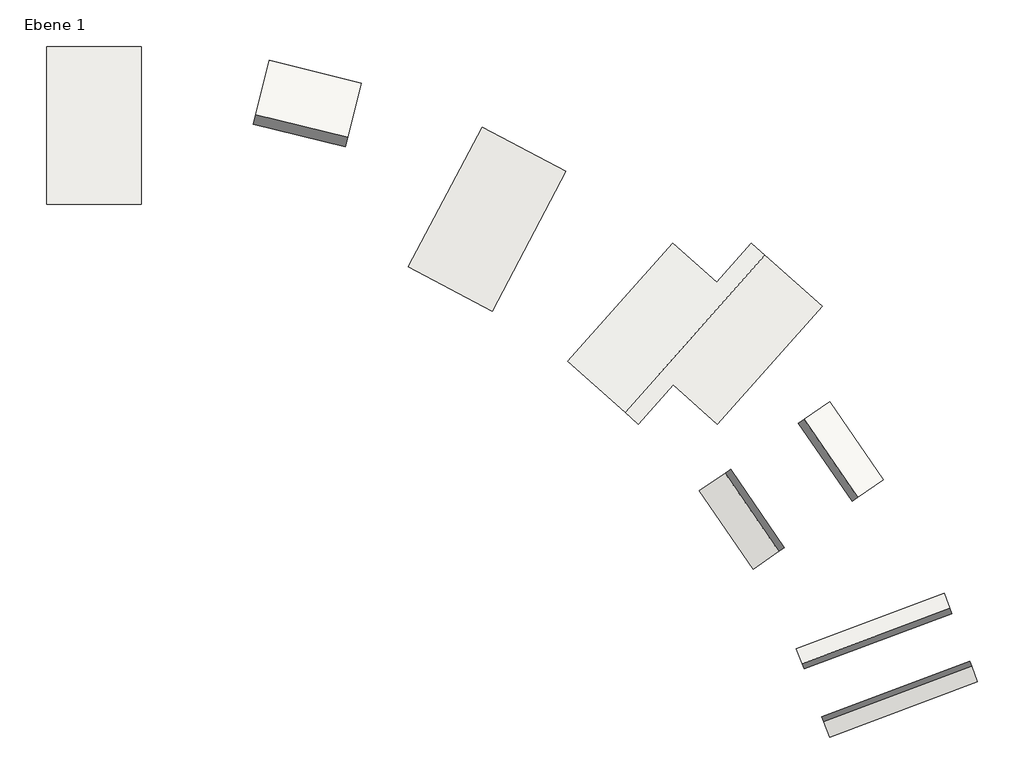
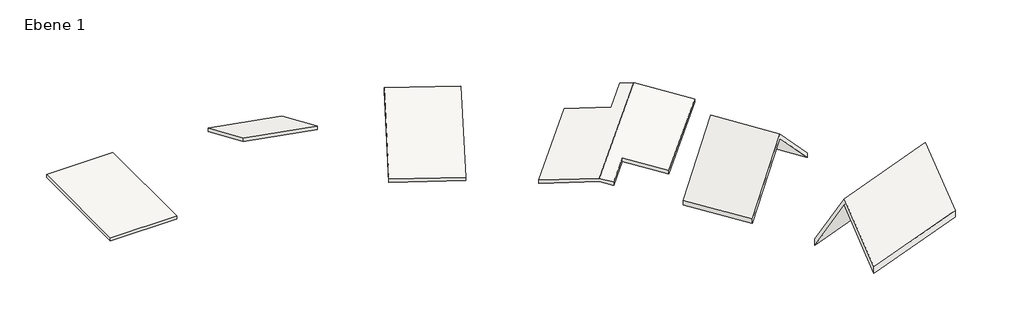
# One storey: 6 roofs.
"""IFC4 building model written with IfcOpenShell, lengths in millimetres."""

import ifcopenshell
import ifcopenshell.guid

model = None  # the IFC model being written
_history = None  # IfcOwnerHistory: only IFC2X3 demands one
_inside = {}  # id of a spatial element -> (the spatial element, [elements in it])
_under = {}  # id of a project, library or spatial element -> (it, [spatial elements below it])
_declared = {}  # id of a project -> (the project, [libraries it declares])
_typed = {}  # id of a type object -> (the type object, [elements of that type])
_made_of = {}  # id of a material, layer set ... -> (it, [elements and type objects made of it])


def new_model(schema):
    """Start an empty IFC model of exactly this schema.

    Asked for "IFC4X3", IfcOpenShell would pick the latest addendum, in which some entities
    have other attributes; the version numbers below select the first issue.
    IFC2X3 requires an IfcOwnerHistory on every rooted entity: one is made here for all.
    """
    global model, _history
    if schema == "IFC4X3":
        model = ifcopenshell.file(schema_version=(4, 3, 0, 0))
    else:
        model = ifcopenshell.file(schema=schema)
    _inside.clear()
    _under.clear()
    _declared.clear()
    _typed.clear()
    _made_of.clear()
    _history = None
    if model.schema == "IFC2X3":
        org = make("IfcOrganization", Name="unknown")
        user = make(
            "IfcPersonAndOrganization",
            ThePerson=make("IfcPerson", FamilyName="unknown"),
            TheOrganization=org,
        )
        app = make(
            "IfcApplication",
            ApplicationDeveloper=org,
            Version="unknown",
            ApplicationFullName="unknown",
            ApplicationIdentifier="unknown",
        )
        _history = make(
            "IfcOwnerHistory",
            OwningUser=user,
            OwningApplication=app,
            ChangeAction="ADDED",
            CreationDate=0,
        )
    return model


def make(cls, **values):
    """One entity of the class cls with the attributes given. An attribute that is None is left unset."""
    return model.create_entity(
        cls, **{name: value for name, value in values.items() if value is not None}
    )


def rooted(cls, **values):
    """An entity with a GlobalId (a new one), such as an element, a storey or a relation."""
    return make(cls, GlobalId=ifcopenshell.guid.new(), OwnerHistory=_history, **values)


def si_unit(unit_type, name, prefix=None):
    """IfcSIUnit, for example si_unit("LENGTHUNIT", "METRE", prefix="MILLI")."""
    return make("IfcSIUnit", UnitType=unit_type, Prefix=prefix, Name=name)


def assignment(units):
    """IfcUnitAssignment: the units of a project."""
    return None if units is None else make("IfcUnitAssignment", Units=units)


def point(xyz):
    """IfcCartesianPoint."""
    return None if xyz is None else make("IfcCartesianPoint", Coordinates=xyz)


def direction(xyz):
    """IfcDirection."""
    return None if xyz is None else make("IfcDirection", DirectionRatios=xyz)


def frame(location, z_axis=None, x_axis=None):
    """IfcAxis2Placement3D, a coordinate frame: its origin and axes. An axis left out is left unset."""
    return make(
        "IfcAxis2Placement3D",
        Location=point(location),
        Axis=direction(z_axis),
        RefDirection=direction(x_axis),
    )


def origin():
    """The frame at (0, 0, 0) with its axes left unset."""
    return frame((0.0, 0.0, 0.0))


def origin_with_axes():
    """The frame at (0, 0, 0) with the z axis (0, 0, 1) and the x axis (1, 0, 0) written out."""
    return frame((0.0, 0.0, 0.0), z_axis=(0.0, 0.0, 1.0), x_axis=(1.0, 0.0, 0.0))


def place(relative_to, where):
    """IfcLocalPlacement: puts the frame where relative to a parent placement (None: the world)."""
    return make(
        "IfcLocalPlacement", PlacementRelTo=relative_to, RelativePlacement=where
    )


def context(
    kind, dimensions, precision=None, world=None, true_north=None, identifier=None
):
    """IfcGeometricRepresentationContext, for example the 3D "Model" context."""
    return make(
        "IfcGeometricRepresentationContext",
        ContextIdentifier=identifier,
        ContextType=kind,
        CoordinateSpaceDimension=dimensions,
        Precision=precision,
        WorldCoordinateSystem=world,
        TrueNorth=true_north,
    )


def project(units=None, contexts=None):
    """IfcProject with its units and contexts."""
    return rooted(
        "IfcProject",
        Name="project",
        RepresentationContexts=contexts,
        UnitsInContext=assignment(units),
    )


def spatial(cls, under=None, at=None, **own):
    """A site, building, storey or space (cls), placed at a placement, below another one or the project."""
    s = rooted(cls, ObjectPlacement=at, **own)
    if under is not None:
        _under.setdefault(under.id(), (under, []))[1].append(s)
    return s


def polyline(points):
    """IfcPolyline through the points."""
    return make("IfcPolyline", Points=[point(p) for p in points])


def outline(outer, holes=None, kind="AREA"):
    """IfcArbitraryClosedProfileDef: a profile drawn as a closed curve; with holes, ...WithVoids."""
    if holes is None:
        return make("IfcArbitraryClosedProfileDef", ProfileType=kind, OuterCurve=outer)
    return make(
        "IfcArbitraryProfileDefWithVoids",
        ProfileType=kind,
        OuterCurve=outer,
        InnerCurves=holes,
    )


def extrude(swept, where, along, depth):
    """IfcExtrudedAreaSolid: the profile swept, set in the frame where, extruded along a direction by depth."""
    return make(
        "IfcExtrudedAreaSolid",
        SweptArea=swept,
        Position=where,
        ExtrudedDirection=direction(along),
        Depth=depth,
    )


def faces_of(points, faces, orient=None, outer=None):
    """IfcFace entities. A face is a list of loops; a loop is a list of indices into points, from 0.

    orient and outer hold one flag for each loop. By default every Orientation is true, the
    first loop of a face is its IfcFaceOuterBound and the others are IfcFaceBound.
    """
    made = []
    for i, loops in enumerate(faces):
        bounds = []
        for j, loop in enumerate(loops):
            is_outer = j == 0 if outer is None else outer[i][j]
            bounds.append(
                make(
                    "IfcFaceOuterBound" if is_outer else "IfcFaceBound",
                    Bound=make("IfcPolyLoop", Polygon=[points[k] for k in loop]),
                    Orientation=True if orient is None else orient[i][j],
                )
            )
        made.append(make("IfcFace", Bounds=bounds))
    return made


def faceted_brep(points, faces, orient=None, outer=None, voids=None):
    """IfcFacetedBrep: a solid bounded by flat faces; with voids (closed shells), ...WithVoids."""
    shared = [point(p) for p in points]
    hull = make("IfcClosedShell", CfsFaces=faces_of(shared, faces, orient, outer))
    if voids is None:
        return make("IfcFacetedBrep", Outer=hull)
    return make(
        "IfcFacetedBrepWithVoids",
        Outer=hull,
        Voids=[
            make(cls, CfsFaces=faces_of(shared, fs, o, b)) for cls, fs, o, b in voids
        ],
    )


def shape(context_of_items, identifier, shape_type, items):
    """IfcShapeRepresentation: the items that make up one representation, for example the "Body"."""
    return make(
        "IfcShapeRepresentation",
        ContextOfItems=context_of_items,
        RepresentationIdentifier=identifier,
        RepresentationType=shape_type,
        Items=items,
    )


def made_of(thing, what):
    """Note that an element or type object is made of a material, layer set ...; save() writes the relation."""
    if what is not None:
        _made_of.setdefault(what.id(), (what, []))[1].append(thing)
    return thing


def element(
    cls,
    number,
    at=None,
    inside=None,
    cuts=None,
    type_object=None,
    material=None,
    context=None,
    identifier="Body",
    shape_type=None,
    held_by="IfcProductDefinitionShape",
    body=None,
    shapes=None,
    **own,
):
    """One element of the class cls, such as IfcWall. Its Tag is "e" and its number.

    at: its placement. inside: the storey or other place that contains it. cuts: it is an
    opening in that element (IfcRelVoidsElement). A single representation is given by context,
    identifier, shape_type and body (its items); several are given by shapes. held_by: the class
    of the entity that holds the representations. save() writes the other relations.
    """
    e = rooted(cls, Tag="e%d" % number, ObjectPlacement=at, **own)
    if body is not None:
        shapes = [shape(context, identifier, shape_type, body)]
    if shapes is not None:
        e.Representation = make(held_by, Representations=shapes)
    if inside is not None:
        _inside.setdefault(inside.id(), (inside, []))[1].append(e)
    if cuts is not None:
        rooted(
            "IfcRelVoidsElement", RelatingBuildingElement=cuts, RelatedOpeningElement=e
        )
    if type_object is not None:
        _typed.setdefault(type_object.id(), (type_object, []))[1].append(e)
    return made_of(e, material)


def aggregate(whole, parts):
    """IfcRelAggregates: a whole, such as a stair, and the parts it consists of."""
    return rooted("IfcRelAggregates", RelatingObject=whole, RelatedObjects=parts)


def save(model, path):
    """Write the relations noted so far, then the file.

    IfcRelAggregates (storeys below a building ...), IfcRelContainedInSpatialStructure (elements
    in a storey), IfcRelDefinesByType, IfcRelAssociatesMaterial and IfcRelDeclares: one each for
    every whole, place, type object, material and project.
    """
    for whole, parts in _under.values():
        aggregate(whole, parts)
    for where, things in _inside.values():
        rooted(
            "IfcRelContainedInSpatialStructure",
            RelatedElements=things,
            RelatingStructure=where,
        )
    for kind, things in _typed.values():
        rooted("IfcRelDefinesByType", RelatedObjects=things, RelatingType=kind)
    for what, things in _made_of.values():
        rooted("IfcRelAssociatesMaterial", RelatedObjects=things, RelatingMaterial=what)
    for by, libraries in _declared.values():
        rooted("IfcRelDeclares", RelatingContext=by, RelatedDefinitions=libraries)
    model.write(path)


model = new_model("IFC4")

# Units and contexts
model_context = context("Model", 3, world=origin())
ifc_project = project(units=[si_unit("LENGTHUNIT", "METRE", prefix="MILLI")], contexts=[model_context])

# Site, building, storey
site = spatial("IfcSite", under=ifc_project)
building = spatial("IfcBuilding", under=site)
storey = spatial("IfcBuildingStorey", under=building, Name="Ebene 1", Elevation=0.0)

# Roofs
placement = place(None, origin())
element("IfcRoof", 1, ObjectType="Dach 1", at=placement, inside=storey, context=model_context, shape_type="SweptSolid", body=[
    extrude(outline(polyline([(1205.2259887, 4240.1129944), (4205.2259887, 4240.1129944), (4205.2259887, -759.8870056), (1205.2259887, -759.8870056), (1205.2259887, 4240.1129944)])), origin_with_axes(), (0.0, 0.0, 1.0), 152.4),
])
element("IfcRoof", 2, ObjectType="Dach 1", at=placement, inside=storey, context=model_context, shape_type="SweptSolid", body=[
    extrude(outline(polyline([(5000.0, -175.976362), (0.0, -3062.727708), (0.0, -2886.7513459), (5000.0, 0.0), (5000.0, -175.976362)])), frame((9969.0534449, -1772.2261057, 0.0), z_axis=(-0.9707630496616171, 0.24003979130901815, 0.0), x_axis=(0.24003979130901815, 0.9707630496616171, 0.0)), (0.0, 0.0, 1.0), 3000.0),
])
element("IfcRoof", 3, ObjectType="Dach 1", at=placement, inside=storey, context=model_context, shape_type="SweptSolid", body=[
    extrude(outline(polyline([(5000.0, -1036.3859192), (0.0, -154.7510157), (0.0, 0.0), (5000.0, -881.6349035), (5000.0, -1036.3859192)])), frame((15321.3624977, -4138.5154376, 0.0), z_axis=(-0.8847617971766525, 0.46604351970254915, 0.0), x_axis=(0.46604351970254915, 0.8847617971766525, 0.0)), (0.0, 0.0, 1.0), 3000.0),
])
element("IfcRoof", 4, ObjectType="Dach 1", at=placement, inside=storey, context=model_context, shape_type="Brep", body=[
    faceted_brep([(21032.0868735, -1990.8758807, 154.7510157), (22427.2030161, -3232.4238279, 484.052704), (22427.2030161, -3232.4238279, 329.3016883), (21032.0868735, -1990.8758807, 0.0), (21054.0666165, -6478.8408866, 484.052704), (19949.1827591, -7720.3888337, 484.052704), (19949.1827591, -7720.3888337, 329.3016883), (21054.0666165, -6478.8408866, 329.3016883), (23532.0868735, -1990.8758807, 329.3016883), (23955.066409, -2367.2957055, 429.1413152), (19526.2032236, -7343.9690089, 429.1413152), (17708.1075454, -5726.0012369, 0.0), (25773.1620872, -3985.2634775, 0.0), (22449.1827591, -7720.3888337, 0.0), (17708.1075454, -5726.0012369, 154.7510157), (19526.2032236, -7343.9690089, 583.8923309), (23955.066409, -2367.2957055, 583.8923309), (23532.0868735, -1990.8758807, 484.052704), (22449.1827591, -7720.3888337, 154.7510157), (25773.1620872, -3985.2634775, 154.7510157)], [[[0, 1, 2, 3]], [[4, 5, 6, 7]], [[3, 2, 8, 9, 10, 11]], [[7, 6, 10, 9, 12, 13]], [[1, 0, 14, 15, 16, 17]], [[5, 4, 18, 19, 16, 15]], [[11, 14, 0, 3]], [[12, 19, 18, 13]], [[5, 15, 14, 11, 10, 6]], [[17, 16, 19, 12, 9, 8]], [[1, 17, 8, 2]], [[18, 4, 7, 13]]]),
])
element("IfcRoof", 5, ObjectType="Dach 1", at=placement, inside=storey, context=model_context, shape_type="SweptSolid", body=[
    extrude(outline(polyline([(4999.9999999, -215.5261469), (2500.0, -2715.5261469), (0.0, -215.5261469), (0.0, 0.0), (2500.0, -2500.0), (4999.9999999, 0.0), (4999.9999999, -215.5261469)])), frame((23581.9075269, -12308.4001851, 0.0), z_axis=(-0.5656068754865293, 0.8246750041091132, 0.0), x_axis=(0.8246750041091132, 0.5656068754865293, 0.0)), (0.0, 0.0, 1.0), 3000.0),
])
element("IfcRoof", 6, ObjectType="Dach 1", at=placement, inside=storey, context=model_context, shape_type="SweptSolid", body=[
    extrude(outline(polyline([(3000.0, -304.8), (1500.0, -2902.8762114), (0.0, -304.8), (0.0, 0.0), (1500.0, -2598.0762114), (3000.0, 0.0), (3000.0, -304.8)])), frame((24953.7708953, -14825.2740366, 0.0), z_axis=(0.9363321783233974, 0.3511154394727774, 0.0), x_axis=(0.3511154394727774, -0.9363321783233974, 0.0)), (0.0, 0.0, 1.0), 5000.0),
])

save(model, "model.ifc")
